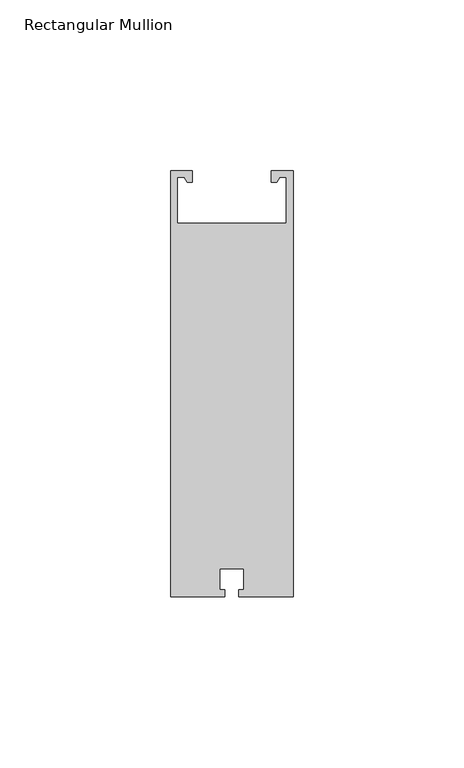
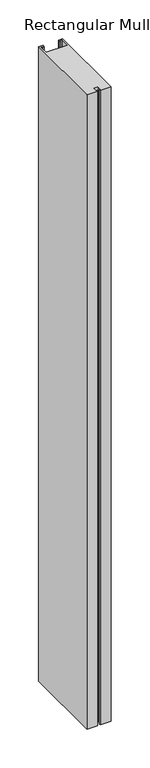
"""IFC4 building model written with IfcOpenShell, lengths in millimetres: member geometry, Rectangular Mullion."""

from ifc_helpers import new_model, si_unit, frame, origin, place, context, project, spatial, polyline, outline, extrude, source, transform, mapped, element, save


def rectangular_mullion_59addf10(model_context):
    return source(origin(), model_context, "Body", "SweptSolid", [
        extrude(outline(polyline([(-31.1339746, 121.5), (-32.0, 123.0), (-34.0, 123.0), (-34.0, 109.5), (-2.0, 109.5), (-2.0, 123.0), (-4.0, 123.0), (-4.8660254, 121.5), (-6.4, 121.5), (-6.4, 125.0), (0.0, 125.0), (0.0, 0.0), (-15.95, 0.0), (-15.95, 2.1), (-14.5, 2.1), (-14.5, 8.3), (-21.5, 8.3), (-21.5, 2.1), (-20.05, 2.1), (-20.05, 0.0), (-36.0, 0.0), (-36.0, 125.0), (-29.6, 125.0), (-29.6, 121.5), (-31.1339746, 121.5)])), frame((0.0, 0.0, -1000.0), z_axis=(0.0, 0.0, 1.0), x_axis=(1.0, 0.0, 0.0)), (0.0, 0.0, 1.0), 1000.0),
    ])


if __name__ == "__main__":
    model = new_model("IFC4")
    model_context = context("Model", 3, world=origin())
    ifc_project = project(units=[si_unit("LENGTHUNIT", "METRE", prefix="MILLI")], contexts=[model_context])
    site = spatial("IfcSite", under=ifc_project)
    building = spatial("IfcBuilding", under=site)
    placement = place(None, origin())
    rectangular_mullion_shape = rectangular_mullion_59addf10(model_context)
    element("IfcMember", 1, ObjectType="Rectangular Mullion", at=placement, inside=building, context=model_context, shape_type="MappedRepresentation", body=[
        mapped(rectangular_mullion_shape, transform((0.0, 0.0, 0.0), x_axis=(1.0, 0.0, 0.0), y_axis=(0.0, 1.0, 0.0), z_axis=(0.0, 0.0, 1.0))),
    ])
    save(model, "model.ifc")
